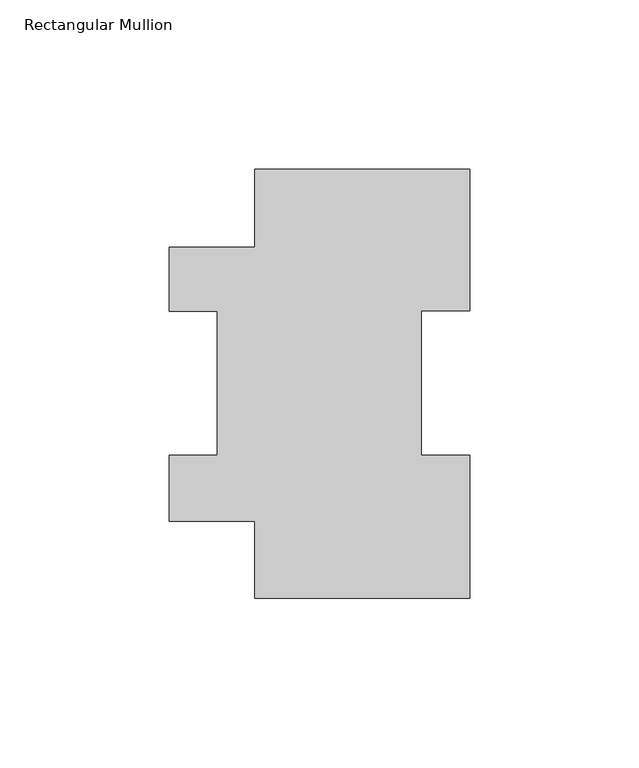
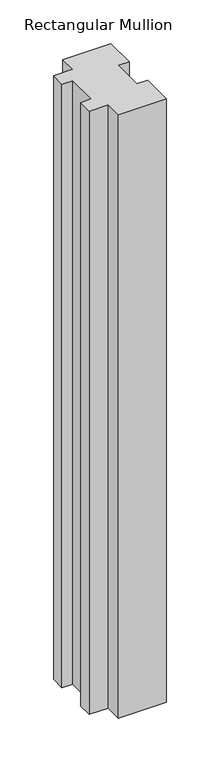
"""IFC4 building model written with IfcOpenShell, lengths in millimetres: member geometry, Rectangular Mullion."""

from ifc_helpers import new_model, si_unit, frame, origin, place, context, project, spatial, polyline, outline, extrude, source, transform, mapped, element, save


def rectangular_mullion_6267f957(model_context):
    return source(origin(), model_context, "Body", "SweptSolid", [
        extrude(outline(polyline([(-44.45, 103.9296055), (-19.05, 103.9296055), (-19.05, 126.9888875), (44.45, 126.9888875), (44.45, 85.1296875), (30.16504, 85.1296875), (30.16504, 42.2798875), (44.45, 42.2798875), (44.45, -0.0111125), (-19.05, -0.0111125), (-19.05, 22.7980875), (-44.45, 22.7980875), (-44.45, 42.2798875), (-30.16504, 42.2798875), (-30.16504, 84.8796055), (-44.45, 84.8796055), (-44.45, 103.9296055)])), frame((0.0, 0.0, -844.55), z_axis=(0.0, 0.0, 1.0), x_axis=(1.0, 0.0, 0.0)), (0.0, 0.0, 1.0), 844.55),
    ])


if __name__ == "__main__":
    model = new_model("IFC4")
    model_context = context("Model", 3, world=origin())
    ifc_project = project(units=[si_unit("LENGTHUNIT", "METRE", prefix="MILLI")], contexts=[model_context])
    site = spatial("IfcSite", under=ifc_project)
    building = spatial("IfcBuilding", under=site)
    placement = place(None, origin())
    rectangular_mullion_shape = rectangular_mullion_6267f957(model_context)
    element("IfcMember", 1, ObjectType="Rectangular Mullion", at=placement, inside=building, context=model_context, shape_type="MappedRepresentation", body=[
        mapped(rectangular_mullion_shape, transform((0.0, 0.0, 0.0), x_axis=(1.0, 0.0, 0.0), y_axis=(0.0, 1.0, 0.0), z_axis=(0.0, 0.0, 1.0))),
    ])
    save(model, "model.ifc")
